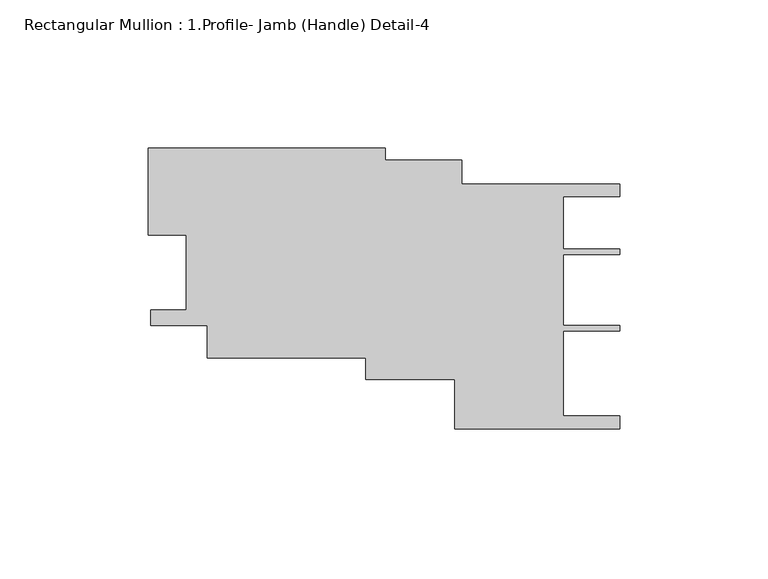
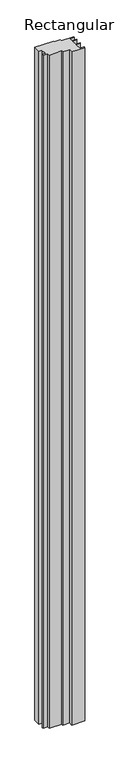
"""IFC4 building model written with IfcOpenShell, lengths in millimetres: member geometry, Rectangular Mullion : 1.Profile- Jamb (Handle) Detail-4."""

from ifc_helpers import new_model, si_unit, frame, origin, place, context, project, spatial, polyline, outline, extrude, source, transform, mapped, element, save


def rectangular_mullion_1_profile_jamb_handle_detail_4_93c5e4a8(model_context):
    return source(origin(), model_context, "Body", "SweptSolid", [
        extrude(outline(polyline([(-146.0658829, 5.2857871), (-158.7659591, 5.2857871), (-158.7569436, 34.5979853), (-79.0456244, 34.5979853), (-79.0456244, 30.5788944), (-53.1682462, 30.5788944), (-53.1682462, 22.5785818), (0.0, 22.5785818), (0.0, 18.2604065), (-19.0507734, 18.2604065), (-19.0507734, 0.55288), (0.0, 0.55288), (0.0, -1.2251922), (-19.0156615, -1.2251922), (-19.0156615, -25.2291128), (0.0, -25.2291128), (0.0, -27.007185), (-19.0507734, -27.007185), (-19.0507734, -55.6565128), (0.0, -55.6565128), (0.0, -59.9746881), (-55.5647582, -59.9746881), (-55.5647582, -43.3389508), (-85.4982927, -43.3389508), (-85.4982927, -36.0988697), (-138.9000758, -36.0988697), (-138.9000758, -25.0748221), (-157.9508492, -25.0748221), (-157.9508492, -19.8676107), (-146.0658829, -19.8676107), (-146.0658829, 5.2857871)])), frame((0.0, 0.0, -3048.0), z_axis=(0.0, 0.0, 1.0), x_axis=(1.0, 0.0, 0.0)), (0.0, 0.0, 1.0), 3048.0),
    ])


if __name__ == "__main__":
    model = new_model("IFC4")
    model_context = context("Model", 3, world=origin())
    ifc_project = project(units=[si_unit("LENGTHUNIT", "METRE", prefix="MILLI")], contexts=[model_context])
    site = spatial("IfcSite", under=ifc_project)
    building = spatial("IfcBuilding", under=site)
    placement = place(None, origin())
    rectangular_mullion_1_profile_jamb_handle_detail_4_shape = rectangular_mullion_1_profile_jamb_handle_detail_4_93c5e4a8(model_context)
    element("IfcMember", 1, ObjectType="Rectangular Mullion : 1.Profile- Jamb (Handle) Detail-4", at=placement, inside=building, context=model_context, shape_type="MappedRepresentation", body=[
        mapped(rectangular_mullion_1_profile_jamb_handle_detail_4_shape, transform((0.0, 0.0, 0.0), x_axis=(1.0, 0.0, 0.0), y_axis=(0.0, 1.0, 0.0), z_axis=(0.0, 0.0, 1.0))),
    ])
    save(model, "model.ifc")
